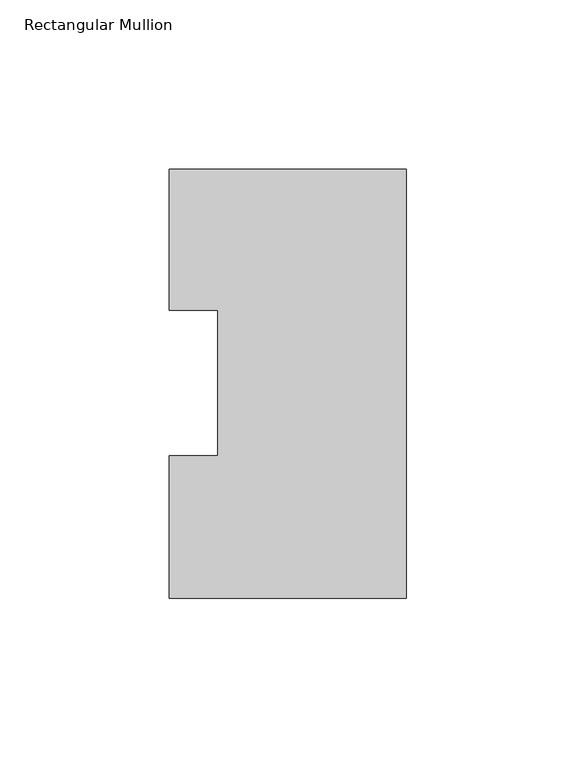
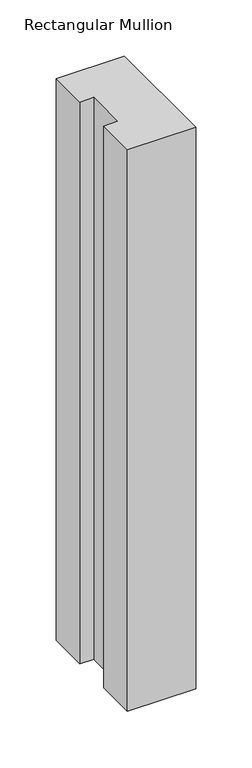
"""IFC4 building model written with IfcOpenShell, lengths in millimetres: member geometry, Rectangular Mullion."""

from ifc_helpers import new_model, si_unit, frame, origin, place, context, project, spatial, polyline, outline, extrude, source, transform, mapped, element, save


def rectangular_mullion_788327c8(model_context):
    return source(origin(), model_context, "Body", "SweptSolid", [
        extrude(outline(polyline([(-69.85, 0.2428875), (-69.85, 42.2798875), (-55.56504, 42.2798875), (-55.56504, 85.1296875), (-69.85, 85.1296875), (-69.85, 126.7348875), (0.0, 126.7348875), (0.0, 0.2428875), (-69.85, 0.2428875)])), frame((0.0, 0.0, -609.6), z_axis=(0.0, 0.0, 1.0), x_axis=(1.0, 0.0, 0.0)), (0.0, 0.0, 1.0), 609.6),
    ])


if __name__ == "__main__":
    model = new_model("IFC4")
    model_context = context("Model", 3, world=origin())
    ifc_project = project(units=[si_unit("LENGTHUNIT", "METRE", prefix="MILLI")], contexts=[model_context])
    site = spatial("IfcSite", under=ifc_project)
    building = spatial("IfcBuilding", under=site)
    placement = place(None, origin())
    rectangular_mullion_shape = rectangular_mullion_788327c8(model_context)
    element("IfcMember", 1, ObjectType="Rectangular Mullion", at=placement, inside=building, context=model_context, shape_type="MappedRepresentation", body=[
        mapped(rectangular_mullion_shape, transform((0.0, 0.0, 0.0), x_axis=(1.0, 0.0, 0.0), y_axis=(0.0, 1.0, 0.0), z_axis=(0.0, 0.0, 1.0))),
    ])
    save(model, "model.ifc")
